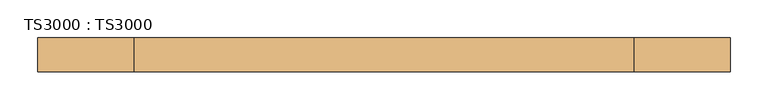
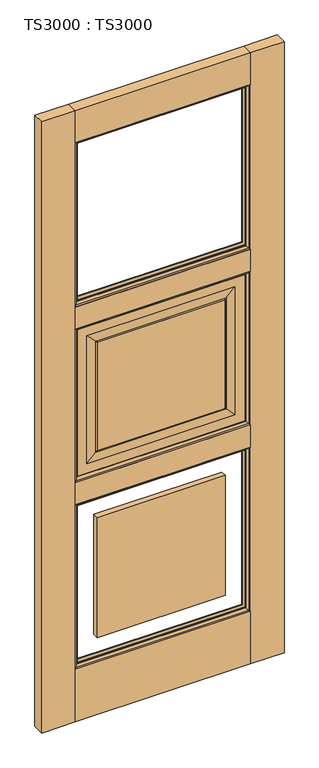
"""IFC4 building model written with IfcOpenShell, lengths in millimetres: door geometry, TS3000 : TS3000."""

import ifcopenshell
import ifcopenshell.guid

model = None  # the IFC model being written
_history = None  # IfcOwnerHistory: only IFC2X3 demands one
_inside = {}  # id of a spatial element -> (the spatial element, [elements in it])
_under = {}  # id of a project, library or spatial element -> (it, [spatial elements below it])
_declared = {}  # id of a project -> (the project, [libraries it declares])
_typed = {}  # id of a type object -> (the type object, [elements of that type])
_made_of = {}  # id of a material, layer set ... -> (it, [elements and type objects made of it])


def new_model(schema):
    """Start an empty IFC model of exactly this schema.

    Asked for "IFC4X3", IfcOpenShell would pick the latest addendum, in which some entities
    have other attributes; the version numbers below select the first issue.
    IFC2X3 requires an IfcOwnerHistory on every rooted entity: one is made here for all.
    """
    global model, _history
    if schema == "IFC4X3":
        model = ifcopenshell.file(schema_version=(4, 3, 0, 0))
    else:
        model = ifcopenshell.file(schema=schema)
    _inside.clear()
    _under.clear()
    _declared.clear()
    _typed.clear()
    _made_of.clear()
    _history = None
    if model.schema == "IFC2X3":
        org = make("IfcOrganization", Name="unknown")
        user = make(
            "IfcPersonAndOrganization",
            ThePerson=make("IfcPerson", FamilyName="unknown"),
            TheOrganization=org,
        )
        app = make(
            "IfcApplication",
            ApplicationDeveloper=org,
            Version="unknown",
            ApplicationFullName="unknown",
            ApplicationIdentifier="unknown",
        )
        _history = make(
            "IfcOwnerHistory",
            OwningUser=user,
            OwningApplication=app,
            ChangeAction="ADDED",
            CreationDate=0,
        )
    return model


def make(cls, **values):
    """One entity of the class cls with the attributes given. An attribute that is None is left unset."""
    return model.create_entity(
        cls, **{name: value for name, value in values.items() if value is not None}
    )


def rooted(cls, **values):
    """An entity with a GlobalId (a new one), such as an element, a storey or a relation."""
    return make(cls, GlobalId=ifcopenshell.guid.new(), OwnerHistory=_history, **values)


def si_unit(unit_type, name, prefix=None):
    """IfcSIUnit, for example si_unit("LENGTHUNIT", "METRE", prefix="MILLI")."""
    return make("IfcSIUnit", UnitType=unit_type, Prefix=prefix, Name=name)


def assignment(units):
    """IfcUnitAssignment: the units of a project."""
    return None if units is None else make("IfcUnitAssignment", Units=units)


def point(xyz):
    """IfcCartesianPoint."""
    return None if xyz is None else make("IfcCartesianPoint", Coordinates=xyz)


def direction(xyz):
    """IfcDirection."""
    return None if xyz is None else make("IfcDirection", DirectionRatios=xyz)


def frame(location, z_axis=None, x_axis=None):
    """IfcAxis2Placement3D, a coordinate frame: its origin and axes. An axis left out is left unset."""
    return make(
        "IfcAxis2Placement3D",
        Location=point(location),
        Axis=direction(z_axis),
        RefDirection=direction(x_axis),
    )


def origin():
    """The frame at (0, 0, 0) with its axes left unset."""
    return frame((0.0, 0.0, 0.0))


def origin_with_axes():
    """The frame at (0, 0, 0) with the z axis (0, 0, 1) and the x axis (1, 0, 0) written out."""
    return frame((0.0, 0.0, 0.0), z_axis=(0.0, 0.0, 1.0), x_axis=(1.0, 0.0, 0.0))


def place(relative_to, where):
    """IfcLocalPlacement: puts the frame where relative to a parent placement (None: the world)."""
    return make(
        "IfcLocalPlacement", PlacementRelTo=relative_to, RelativePlacement=where
    )


def context(
    kind, dimensions, precision=None, world=None, true_north=None, identifier=None
):
    """IfcGeometricRepresentationContext, for example the 3D "Model" context."""
    return make(
        "IfcGeometricRepresentationContext",
        ContextIdentifier=identifier,
        ContextType=kind,
        CoordinateSpaceDimension=dimensions,
        Precision=precision,
        WorldCoordinateSystem=world,
        TrueNorth=true_north,
    )


def project(units=None, contexts=None):
    """IfcProject with its units and contexts."""
    return rooted(
        "IfcProject",
        Name="project",
        RepresentationContexts=contexts,
        UnitsInContext=assignment(units),
    )


def spatial(cls, under=None, at=None, **own):
    """A site, building, storey or space (cls), placed at a placement, below another one or the project."""
    s = rooted(cls, ObjectPlacement=at, **own)
    if under is not None:
        _under.setdefault(under.id(), (under, []))[1].append(s)
    return s


def polyline(points):
    """IfcPolyline through the points."""
    return make("IfcPolyline", Points=[point(p) for p in points])


def ellipse_curve(where, semi_axis1, semi_axis2):
    """IfcEllipse in the frame where."""
    return make(
        "IfcEllipse", Position=where, SemiAxis1=semi_axis1, SemiAxis2=semi_axis2
    )


def outline(outer, holes=None, kind="AREA"):
    """IfcArbitraryClosedProfileDef: a profile drawn as a closed curve; with holes, ...WithVoids."""
    if holes is None:
        return make("IfcArbitraryClosedProfileDef", ProfileType=kind, OuterCurve=outer)
    return make(
        "IfcArbitraryProfileDefWithVoids",
        ProfileType=kind,
        OuterCurve=outer,
        InnerCurves=holes,
    )


def extrude(swept, where, along, depth):
    """IfcExtrudedAreaSolid: the profile swept, set in the frame where, extruded along a direction by depth."""
    return make(
        "IfcExtrudedAreaSolid",
        SweptArea=swept,
        Position=where,
        ExtrudedDirection=direction(along),
        Depth=depth,
    )


def shape(context_of_items, identifier, shape_type, items):
    """IfcShapeRepresentation: the items that make up one representation, for example the "Body"."""
    return make(
        "IfcShapeRepresentation",
        ContextOfItems=context_of_items,
        RepresentationIdentifier=identifier,
        RepresentationType=shape_type,
        Items=items,
    )


def source(mapping_origin, context_of_items, identifier, shape_type, items):
    """IfcRepresentationMap: a shape defined once, which mapped items show again and again."""
    return make(
        "IfcRepresentationMap",
        MappingOrigin=mapping_origin,
        MappedRepresentation=shape(context_of_items, identifier, shape_type, items),
    )


def transform(
    local_origin,
    x_axis=None,
    y_axis=None,
    z_axis=None,
    scale=None,
    scale2=None,
    scale3=None,
    uniform=True,
):
    """IfcCartesianTransformationOperator3D, or its non-uniform kind. x_axis, y_axis, z_axis: its Axis1, 2, 3."""
    if uniform:
        return make(
            "IfcCartesianTransformationOperator3D",
            Axis1=direction(x_axis),
            Axis2=direction(y_axis),
            LocalOrigin=point(local_origin),
            Scale=scale,
            Axis3=direction(z_axis),
        )
    return make(
        "IfcCartesianTransformationOperator3DnonUniform",
        Axis1=direction(x_axis),
        Axis2=direction(y_axis),
        LocalOrigin=point(local_origin),
        Scale=scale,
        Axis3=direction(z_axis),
        Scale2=scale2,
        Scale3=scale3,
    )


def mapped(mapping_source, mapping_target):
    """IfcMappedItem: shows the shape of a source again, moved by a transform."""
    return make(
        "IfcMappedItem", MappingSource=mapping_source, MappingTarget=mapping_target
    )


def made_of(thing, what):
    """Note that an element or type object is made of a material, layer set ...; save() writes the relation."""
    if what is not None:
        _made_of.setdefault(what.id(), (what, []))[1].append(thing)
    return thing


def element(
    cls,
    number,
    at=None,
    inside=None,
    cuts=None,
    type_object=None,
    material=None,
    context=None,
    identifier="Body",
    shape_type=None,
    held_by="IfcProductDefinitionShape",
    body=None,
    shapes=None,
    **own,
):
    """One element of the class cls, such as IfcWall. Its Tag is "e" and its number.

    at: its placement. inside: the storey or other place that contains it. cuts: it is an
    opening in that element (IfcRelVoidsElement). A single representation is given by context,
    identifier, shape_type and body (its items); several are given by shapes. held_by: the class
    of the entity that holds the representations. save() writes the other relations.
    """
    e = rooted(cls, Tag="e%d" % number, ObjectPlacement=at, **own)
    if body is not None:
        shapes = [shape(context, identifier, shape_type, body)]
    if shapes is not None:
        e.Representation = make(held_by, Representations=shapes)
    if inside is not None:
        _inside.setdefault(inside.id(), (inside, []))[1].append(e)
    if cuts is not None:
        rooted(
            "IfcRelVoidsElement", RelatingBuildingElement=cuts, RelatedOpeningElement=e
        )
    if type_object is not None:
        _typed.setdefault(type_object.id(), (type_object, []))[1].append(e)
    return made_of(e, material)


def aggregate(whole, parts):
    """IfcRelAggregates: a whole, such as a stair, and the parts it consists of."""
    return rooted("IfcRelAggregates", RelatingObject=whole, RelatedObjects=parts)


def save(model, path):
    """Write the relations noted so far, then the file.

    IfcRelAggregates (storeys below a building ...), IfcRelContainedInSpatialStructure (elements
    in a storey), IfcRelDefinesByType, IfcRelAssociatesMaterial and IfcRelDeclares: one each for
    every whole, place, type object, material and project.
    """
    for whole, parts in _under.values():
        aggregate(whole, parts)
    for where, things in _inside.values():
        rooted(
            "IfcRelContainedInSpatialStructure",
            RelatedElements=things,
            RelatingStructure=where,
        )
    for kind, things in _typed.values():
        rooted("IfcRelDefinesByType", RelatedObjects=things, RelatingType=kind)
    for what, things in _made_of.values():
        rooted("IfcRelAssociatesMaterial", RelatedObjects=things, RelatingMaterial=what)
    for by, libraries in _declared.values():
        rooted("IfcRelDeclares", RelatingContext=by, RelatedDefinitions=libraries)
    model.write(path)


def plane_surface(at):
    """IfcPlane: the flat surface through the origin of the frame at, square to its z axis."""
    return make("IfcPlane", Position=at)


def revolved_surface(curve, axis_point, axis_direction):
    """IfcSurfaceOfRevolution: the curve turned about the line through axis_point along axis_direction."""
    return make(
        "IfcSurfaceOfRevolution",
        SweptCurve=make("IfcArbitraryOpenProfileDef", ProfileType="CURVE", Curve=curve),
        AxisPosition=make("IfcAxis1Placement", Location=point(axis_point), Axis=direction(axis_direction)),
    )


def advanced_brep(points, edges, surfaces, faces):
    """IfcAdvancedBrep: a solid bounded by faces that lie on surfaces and meet in shared edges.

    An edge is (start, end): straight between two places in points (the first is 0);
    or (start, end, curve); or (start, end, curve, False) where it runs against its curve.
    A face is (place in surfaces, loops), or (place, loops, False) where it looks against
    its surface's normal. A loop lists edges by number (the first is 1), with a minus sign
    where the edge is run from its end to its start. The first loop is the outer one.
    """
    corners = [point(p) for p in points]
    vertices = [make("IfcVertexPoint", VertexGeometry=c) for c in corners]
    made = []
    for start, end, *more in edges:
        made.append(
            make(
                "IfcEdgeCurve",
                EdgeStart=vertices[start],
                EdgeEnd=vertices[end],
                EdgeGeometry=more[0] if more else make("IfcPolyline", Points=[corners[start], corners[end]]),
                SameSense=more[1] if len(more) > 1 else True,
            )
        )
    hull = []
    for where, loops, *sense in faces:
        bounds = []
        for j, loop in enumerate(loops):
            ring = [make("IfcOrientedEdge", EdgeElement=made[abs(k) - 1], Orientation=k > 0) for k in loop]
            bounds.append(
                make(
                    "IfcFaceOuterBound" if j == 0 else "IfcFaceBound",
                    Bound=make("IfcEdgeLoop", EdgeList=ring),
                    Orientation=True,
                )
            )
        hull.append(make("IfcAdvancedFace", Bounds=bounds, FaceSurface=surfaces[where], SameSense=sense[0] if sense else True))
    return make("IfcAdvancedBrep", Outer=make("IfcClosedShell", CfsFaces=hull))


def ts3000_ts3000_933aa4a2(model_context):
    return source(origin(), model_context, "Body", "SolidModel", [
        extrude(outline(polyline([(787.4, -44.45), (127.0, -44.45), (127.0, 0.0), (787.4, 0.0), (787.4, -44.45)])), origin_with_axes(), (0.0, 0.0, 1.0), 209.55),
        extrude(outline(polyline([(787.4, -44.45), (127.0, -44.45), (127.0, 0.0), (787.4, 0.0), (787.4, -44.45)])), frame((0.0, 0.0, 865.7166667), z_axis=(0.0, 0.0, 1.0), x_axis=(1.0, 0.0, 0.0)), (0.0, 0.0, 1.0), 88.9),
        extrude(outline(polyline([(787.4, -44.45), (127.0, -44.45), (127.0, 0.0), (787.4, 0.0), (787.4, -44.45)])), frame((0.0, 0.0, 2311.4), z_axis=(0.0, 0.0, 1.0), x_axis=(1.0, 0.0, 0.0)), (0.0, 0.0, 1.0), 127.0),
        extrude(outline(polyline([(787.4, -44.45), (127.0, -44.45), (127.0, 0.0), (787.4, 0.0), (787.4, -44.45)])), frame((0.0, 0.0, 1566.3333333), z_axis=(0.0, 0.0, 1.0), x_axis=(1.0, 0.0, 0.0)), (0.0, 0.0, 1.0), 88.9),
        extrude(outline(polyline([(914.4, -44.45), (787.4, -44.45), (787.4, 0.0), (914.4, 0.0), (914.4, -44.45)])), origin_with_axes(), (0.0, 0.0, 1.0), 2438.4),
        extrude(outline(polyline([(127.0, -44.45), (0.0, -44.45), (0.0, 0.0), (127.0, 0.0), (127.0, -44.45)])), origin_with_axes(), (0.0, 0.0, 1.0), 2438.4),
        advanced_brep(
        [(787.4, -12.7, 1566.3333333), (787.4, -31.75, 1566.3333333), (787.4, -31.75, 954.6166667), (787.4, -12.7, 954.6166667), (127.0, -31.75, 1566.3333333), (127.0, -31.75, 954.6166667), (736.6, -31.75, 1005.4166667), (177.8, -31.75, 1005.4166667), (177.8, -31.75, 1515.5333333), (736.6, -31.75, 1515.5333333), (127.0, -12.7, 954.6166667), (127.0, -12.7, 1566.3333333), (736.6, -12.7, 1515.5333333), (177.8, -12.7, 1515.5333333), (177.8, -12.7, 1005.4166667), (736.6, -12.7, 1005.4166667), (698.5, -33.3375, 1477.4333333), (698.5, -11.1125, 1477.4333333), (698.5, -11.1125, 1043.5166667), (698.5, -33.3375, 1043.5166667), (703.2625, -13.49375, 1482.1958333), (703.2625, -13.49375, 1038.7541667), (215.9, -11.1125, 1043.5166667), (215.9, -33.3375, 1043.5166667), (703.2625, -30.95625, 1482.1958333), (703.2625, -30.95625, 1038.7541667), (211.1375, -13.49375, 1038.7541667), (215.9, -11.1125, 1477.4333333), (215.9, -33.3375, 1477.4333333), (211.1375, -30.95625, 1038.7541667), (211.1375, -13.49375, 1482.1958333), (211.1375, -30.95625, 1482.1958333)],
        [
            (0, 1),
            (1, 2),
            (2, 3),
            (3, 0),
            (1, 4),
            (4, 5),
            (5, 2),
            (6, 7),
            (7, 8),
            (8, 9),
            (9, 6),
            (5, 10),
            (10, 3),
            (10, 11),
            (11, 0),
            (12, 13),
            (13, 14),
            (14, 15),
            (15, 12),
            (16, 17),
            (17, 18),
            (18, 19),
            (19, 16),
            (17, 20, ellipse_curve(frame((703.7585938, -6.5484375, 1482.6919271), z_axis=(-0.7071067811865475, 0.0, 0.7071067811865475), x_axis=(-0.7071067811865474, 0.0, -0.7071067811865476)), 9.8471798, 6.9630076)),
            (20, 21),
            (21, 18, ellipse_curve(frame((703.7585938, -6.5484375, 1038.2580729), z_axis=(-0.7071067811865475, 0.0, -0.7071067811865475), x_axis=(0.7071067811865474, 0.0, -0.7071067811865476)), 9.8471798, 6.9630076)),
            (18, 22),
            (22, 23),
            (23, 19),
            (24, 16, ellipse_curve(frame((703.7585938, -37.9015625, 1482.6919271), z_axis=(-0.7071067811865475, 0.0, 0.7071067811865475), x_axis=(-0.7071067811865474, 0.0, -0.7071067811865476)), 9.8471798, 6.9630076)),
            (19, 25, ellipse_curve(frame((703.7585938, -37.9015625, 1038.2580729), z_axis=(-0.7071067811865475, 0.0, -0.7071067811865475), x_axis=(0.7071067811865474, 0.0, -0.7071067811865476)), 9.8471798, 6.9630076)),
            (25, 24),
            (4, 11),
            (21, 26),
            (26, 22, ellipse_curve(frame((210.6414063, -6.5484375, 1038.2580729), z_axis=(-0.7071067811865475, 0.0, 0.7071067811865475), x_axis=(-0.7071067811865476, 0.0, -0.7071067811865474)), 9.8471798, 6.9630076)),
            (22, 27),
            (27, 28),
            (28, 23),
            (23, 29, ellipse_curve(frame((210.6414063, -37.9015625, 1038.2580729), z_axis=(-0.7071067811865475, 0.0, 0.7071067811865475), x_axis=(-0.7071067811865476, 0.0, -0.7071067811865474)), 9.8471798, 6.9630076)),
            (29, 25),
            (26, 30),
            (30, 27, ellipse_curve(frame((210.6414063, -6.5484375, 1482.6919271), z_axis=(0.7071067811865475, 0.0, 0.7071067811865475), x_axis=(-0.7071067811865474, 0.0, 0.7071067811865476)), 9.8471798, 6.9630076)),
            (28, 31, ellipse_curve(frame((210.6414063, -37.9015625, 1482.6919271), z_axis=(0.7071067811865475, 0.0, 0.7071067811865475), x_axis=(-0.7071067811865474, 0.0, 0.7071067811865476)), 9.8471798, 6.9630076)),
            (31, 29),
            (6, 25),
            (29, 7),
            (31, 8),
            (9, 24),
            (26, 14),
            (13, 30),
            (21, 15),
            (20, 12),
            (27, 17),
            (16, 28),
            (31, 24),
            (20, 30),
        ],
        [
            plane_surface(frame((787.4, -31.75, 1566.3333333), z_axis=(1.0, 0.0, 0.0), x_axis=(0.0, 0.0, -1.0))),
            plane_surface(frame((177.8, -31.75, 1515.5333333), z_axis=(0.0, -1.0, 0.0), x_axis=(1.0, 0.0, 0.0))),
            plane_surface(frame((787.4, -31.75, 954.6166667), z_axis=(0.0, 0.0, -1.0), x_axis=(-1.0, 0.0, 0.0))),
            plane_surface(frame((127.0, -12.7, 1566.3333333), z_axis=(0.0, 1.0, 0.0), x_axis=(1.0, 0.0, 0.0))),
            plane_surface(frame((698.5, -11.1125, 1477.4333333), z_axis=(-1.0, 0.0, 0.0), x_axis=(0.0, 0.0, -1.0))),
            revolved_surface(polyline([(696.7955862, -6.5484375, 1031.2950652878567), (696.7955862, -6.5484375, 1489.6549347121431)]), (703.7585938, -6.5484375, 1477.4333333), (0.0, 0.0, -1.0)),
            plane_surface(frame((698.5, -11.1125, 1043.5166667), z_axis=(0.0, 0.0, 1.0), x_axis=(-1.0, 0.0, 0.0))),
            revolved_surface(polyline([(696.7955862, -37.9015625, 1031.2950652878567), (696.7955862, -37.9015625, 1489.6549347121431)]), (703.7585938, -37.9015625, 1477.4333333), (0.0, 0.0, -1.0)),
            plane_surface(frame((127.0, -31.75, 954.6166667), z_axis=(-1.0, 0.0, 0.0), x_axis=(0.0, 0.0, 1.0))),
            revolved_surface(polyline([(203.67839868785677, -6.5484375, 1045.2210805), (710.7216014121432, -6.5484375, 1045.2210805)]), (698.5, -6.5484375, 1038.2580729), (-1.0, 0.0, 0.0)),
            plane_surface(frame((215.9, -11.1125, 1043.5166667), z_axis=(1.0, 0.0, 0.0), x_axis=(0.0, 0.0, 1.0))),
            revolved_surface(polyline([(203.67839868785677, -37.9015625, 1045.2210805), (710.7216014121432, -37.9015625, 1045.2210805)]), (698.5, -37.9015625, 1038.2580729), (-1.0, 0.0, 0.0)),
            revolved_surface(polyline([(217.6044139, -6.5484375, 1489.6549347121431), (217.6044139, -6.5484375, 1031.2950652878567)]), (210.6414063, -6.5484375, 1043.5166667), (0.0, 0.0, 1.0)),
            revolved_surface(polyline([(217.6044139, -37.9015625, 1489.6549347121431), (217.6044139, -37.9015625, 1031.2950652878567)]), (210.6414063, -37.9015625, 1043.5166667), (0.0, 0.0, 1.0)),
            plane_surface(frame((703.2625, -30.95625, 1038.7541667), z_axis=(0.0, -0.9997166737441345, 0.023802777946362628), x_axis=(-1.0, 0.0, 0.0))),
            plane_surface(frame((211.1375, -30.95625, 1038.7541667), z_axis=(0.023802777946359394, -0.9997166737441346, 0.0), x_axis=(0.0, 0.0, 1.0))),
            plane_surface(frame((703.2625, -30.95625, 1482.1958333), z_axis=(-0.02380277794636586, -0.9997166737441344, 0.0), x_axis=(0.0, 0.0, -1.0))),
            plane_surface(frame((177.8, -12.7, 1005.4166667), z_axis=(0.023802777946303297, 0.9997166737441359, 0.0), x_axis=(0.0, 0.0, 1.0))),
            plane_surface(frame((736.6, -12.7, 1005.4166667), z_axis=(0.0, 0.999716673744136, 0.023802777946300063), x_axis=(-1.0, 0.0, 0.0))),
            plane_surface(frame((736.6, -12.7, 1515.5333333), z_axis=(-0.02380277794629683, 0.9997166737441361, 0.0), x_axis=(0.0, 0.0, -1.0))),
            plane_surface(frame((127.0, -31.75, 1566.3333333), z_axis=(0.0, 0.0, 1.0), x_axis=(1.0, 0.0, 0.0))),
            plane_surface(frame((215.9, -11.1125, 1477.4333333), z_axis=(0.0, 0.0, -1.0), x_axis=(1.0, 0.0, 0.0))),
            plane_surface(frame((211.1375, -30.95625, 1482.1958333), z_axis=(0.0, -0.9997166737441345, -0.023802777946362628), x_axis=(1.0, 0.0, 0.0))),
            plane_surface(frame((177.8, -12.7, 1515.5333333), z_axis=(0.0, 0.999716673744136, -0.023802777946300063), x_axis=(1.0, 0.0, 0.0))),
            revolved_surface(polyline([(710.7216014121432, -6.5484375, 1475.7289194999998), (203.6783986878568, -6.5484375, 1475.7289194999998)]), (215.9, -6.5484375, 1482.6919271), (1.0, 0.0, 0.0)),
            revolved_surface(polyline([(710.7216014121432, -37.9015625, 1475.7289194999998), (203.6783986878568, -37.9015625, 1475.7289194999998)]), (215.9, -37.9015625, 1482.6919271), (1.0, 0.0, 0.0)),
        ],
        [
            (0, [[1, 2, 3, 4]]),
            (1, [[5, 6, 7, -2], [8, 9, 10, 11]]),
            (2, [[-3, -7, 12, 13]]),
            (3, [[-13, 14, 15, -4], [16, 17, 18, 19]]),
            (4, [[20, 21, 22, 23]]),
            (5, [[24, 25, 26, -21]]),
            (6, [[-22, 27, 28, 29]]),
            (7, [[30, -23, 31, 32]]),
            (8, [[-12, -6, 33, -14]]),
            (9, [[-26, 34, 35, -27]]),
            (10, [[-28, 36, 37, 38]]),
            (11, [[-31, -29, 39, 40]]),
            (12, [[-35, 41, 42, -36]]),
            (13, [[-39, -38, 43, 44]]),
            (14, [[45, -40, 46, -8]]),
            (15, [[-46, -44, 47, -9]]),
            (16, [[48, -32, -45, -11]]),
            (17, [[49, -17, 50, -41]]),
            (18, [[51, -18, -49, -34]]),
            (19, [[52, -19, -51, -25]]),
            (20, [[-33, -5, -1, -15]]),
            (21, [[-37, 53, -20, 54]]),
            (22, [[-47, 55, -48, -10]]),
            (23, [[-50, -16, -52, 56]]),
            (24, [[-42, -56, -24, -53]]),
            (25, [[-43, -54, -30, -55]]),
        ],
    ),
        extrude(outline(polyline([(215.9, -11.1125), (698.5, -11.1125), (698.5, -33.3375), (215.9, -33.3375), (215.9, -11.1125)])), frame((0.0, 0.0, 298.45), z_axis=(0.0, 0.0, 1.0), x_axis=(1.0, 0.0, 0.0)), (0.0, 0.0, 1.0), 478.3666667),
        extrude(outline(polyline([(215.9, -11.1125), (698.5, -11.1125), (698.5, -33.3375), (215.9, -33.3375), (215.9, -11.1125)])), frame((0.0, 0.0, 1043.5166667), z_axis=(0.0, 0.0, 1.0), x_axis=(1.0, 0.0, 0.0)), (0.0, 0.0, 1.0), 433.9166667),
        advanced_brep(
        [(787.4, -31.75, 865.7166667), (787.4, -44.4610047, 865.7166667), (787.4, -44.4610047, 209.55), (787.4, -31.75, 209.55), (774.6912454, -34.925, 853.007912), (774.6912454, -31.75, 853.007912), (774.6912454, -31.75, 222.2587546), (774.6912454, -34.925, 222.2587546), (782.5328423, -41.275, 860.849509), (782.5328423, -41.275, 214.4171577), (127.0, -44.4610047, 209.55), (127.0, -31.75, 209.55), (139.7087546, -31.75, 222.2587546), (139.7087546, -34.925, 222.2587546), (131.8671577, -41.275, 214.4171577), (127.0, -44.4610047, 865.7166667), (127.0, -31.75, 865.7166667), (139.7087546, -31.75, 853.007912), (139.7087546, -34.925, 853.007912), (131.8671577, -41.275, 860.849509)],
        [
            (0, 1),
            (1, 2),
            (2, 3),
            (3, 0),
            (4, 5),
            (5, 6),
            (6, 7),
            (7, 4),
            (8, 4, ellipse_curve(frame((770.549739, -48.0561173, 848.8664057), z_axis=(-0.7071067811865475, 0.0, 0.7071067811865475), x_axis=(-0.7071067811865474, 0.0, -0.7071067811865476)), 19.4719447, 13.7687442)),
            (7, 9, ellipse_curve(frame((770.549739, -48.0561173, 226.400261), z_axis=(-0.7071067811865475, 0.0, -0.7071067811865475), x_axis=(0.7071067811865474, 0.0, -0.7071067811865476)), 19.4719447, 13.7687442)),
            (9, 8),
            (1, 8, ellipse_curve(frame((779.4613821, -51.2778746, 857.7780488), z_axis=(-0.7071067811865475, 0.0, 0.7071067811865475), x_axis=(-0.7071067811865474, 0.0, -0.7071067811865476)), 14.7980653, 10.4638123)),
            (9, 2, ellipse_curve(frame((779.4613821, -51.2778746, 217.4886179), z_axis=(-0.7071067811865475, 0.0, -0.7071067811865475), x_axis=(0.7071067811865474, 0.0, -0.7071067811865476)), 14.7980653, 10.4638123)),
            (2, 10),
            (10, 11),
            (11, 3),
            (6, 12),
            (12, 13),
            (13, 7),
            (13, 14, ellipse_curve(frame((143.850261, -48.0561173, 226.400261), z_axis=(-0.7071067811865475, 0.0, 0.7071067811865475), x_axis=(-0.7071067811865476, 0.0, -0.7071067811865474)), 19.4719447, 13.7687442)),
            (14, 9),
            (14, 10, ellipse_curve(frame((134.9386179, -51.2778746, 217.4886179), z_axis=(-0.7071067811865475, 0.0, 0.7071067811865475), x_axis=(-0.7071067811865476, 0.0, -0.7071067811865474)), 14.7980653, 10.4638123)),
            (10, 15),
            (15, 16),
            (16, 11),
            (12, 17),
            (17, 18),
            (18, 13),
            (18, 19, ellipse_curve(frame((143.850261, -48.0561173, 848.8664057), z_axis=(0.7071067811865475, 0.0, 0.7071067811865475), x_axis=(-0.7071067811865474, 0.0, 0.7071067811865476)), 19.4719447, 13.7687442)),
            (19, 14),
            (19, 15, ellipse_curve(frame((134.9386179, -51.2778746, 857.7780488), z_axis=(0.7071067811865475, 0.0, 0.7071067811865475), x_axis=(-0.7071067811865474, 0.0, 0.7071067811865476)), 14.7980653, 10.4638123)),
            (15, 1),
            (0, 16),
            (5, 17),
            (4, 18),
            (8, 19),
        ],
        [
            plane_surface(frame((787.4, -44.4610047, 865.7166667), z_axis=(1.0, 0.0, 0.0), x_axis=(0.0, 0.0, -1.0))),
            plane_surface(frame((774.6912454, -31.75, 853.007912), z_axis=(-1.0, 0.0, 0.0), x_axis=(0.0, 0.0, -1.0))),
            revolved_surface(polyline([(756.7809948, -48.0561173, 212.6315168597406), (756.7809948, -48.0561173, 862.6351498402594)]), (770.549739, -48.0561173, 865.7166667), (0.0, 0.0, -1.0)),
            revolved_surface(polyline([(768.9975698000001, -51.2778746, 207.02480557792865), (768.9975698000001, -51.2778746, 868.2418611220713)]), (779.4613821, -51.2778746, 865.7166667), (0.0, 0.0, -1.0)),
            plane_surface(frame((787.4, -44.4610047, 209.55), z_axis=(0.0, 0.0, -1.0), x_axis=(-1.0, 0.0, 0.0))),
            plane_surface(frame((774.6912454, -31.75, 222.2587546), z_axis=(0.0, 0.0, 1.0), x_axis=(-1.0, 0.0, 0.0))),
            revolved_surface(polyline([(130.08151685974053, -48.0561173, 240.16900520000002), (784.3184831402594, -48.0561173, 240.16900520000002)]), (787.4, -48.0561173, 226.400261), (-1.0, 0.0, 0.0)),
            revolved_surface(polyline([(124.47480557792858, -51.2778746, 227.9524302), (789.9251944220714, -51.2778746, 227.9524302)]), (787.4, -51.2778746, 217.4886179), (-1.0, 0.0, 0.0)),
            plane_surface(frame((127.0, -44.4610047, 209.55), z_axis=(-1.0, 0.0, 0.0), x_axis=(0.0, 0.0, 1.0))),
            plane_surface(frame((139.7087546, -31.75, 222.2587546), z_axis=(1.0, 0.0, 0.0), x_axis=(0.0, 0.0, 1.0))),
            revolved_surface(polyline([(157.6190052, -48.0561173, 862.6351498402594), (157.6190052, -48.0561173, 212.63151685974054)]), (143.850261, -48.0561173, 209.55), (0.0, 0.0, 1.0)),
            revolved_surface(polyline([(145.4024302, -51.2778746, 868.2418611220712), (145.4024302, -51.2778746, 207.02480557792867)]), (134.9386179, -51.2778746, 209.55), (0.0, 0.0, 1.0)),
            plane_surface(frame((127.0, -44.4610047, 865.7166667), z_axis=(0.0, 0.0, 1.0), x_axis=(1.0, 0.0, 0.0))),
            plane_surface(frame((127.0, -31.75, 865.7166667), z_axis=(0.0, 1.0, 0.0), x_axis=(1.0, 0.0, 0.0))),
            plane_surface(frame((139.7087546, -31.75, 853.007912), z_axis=(0.0, 0.0, -1.0), x_axis=(1.0, 0.0, 0.0))),
            revolved_surface(polyline([(784.3184831402594, -48.0561173, 835.0976615), (130.08151685974053, -48.0561173, 835.0976615)]), (127.0, -48.0561173, 848.8664057), (1.0, 0.0, 0.0)),
            revolved_surface(polyline([(789.9251944220714, -51.2778746, 847.3142365), (124.47480557792866, -51.2778746, 847.3142365)]), (127.0, -51.2778746, 857.7780488), (1.0, 0.0, 0.0)),
        ],
        [
            (0, [[1, 2, 3, 4]]),
            (1, [[5, 6, 7, 8]]),
            (2, [[9, -8, 10, 11]]),
            (3, [[12, -11, 13, -2]]),
            (4, [[-3, 14, 15, 16]]),
            (5, [[-7, 17, 18, 19]]),
            (6, [[-10, -19, 20, 21]]),
            (7, [[-13, -21, 22, -14]]),
            (8, [[-15, 23, 24, 25]]),
            (9, [[-18, 26, 27, 28]]),
            (10, [[-20, -28, 29, 30]]),
            (11, [[-22, -30, 31, -23]]),
            (12, [[-24, 32, -1, 33]]),
            (13, [[-16, -25, -33, -4], [34, -26, -17, -6]]),
            (14, [[-27, -34, -5, 35]]),
            (15, [[-29, -35, -9, 36]]),
            (16, [[-31, -36, -12, -32]]),
        ],
    ),
        advanced_brep(
        [(782.5328423, -3.175, 860.849509), (787.4, 0.0110047, 865.7166667), (787.4, 0.0110047, 209.55), (782.5328423, -3.175, 214.4171577), (774.6912454, -9.525, 853.007912), (774.6912454, -9.525, 222.2587546), (774.6912454, -12.7, 853.007912), (774.6912454, -12.7, 222.2587546), (787.4, -12.7, 865.7166667), (787.4, -12.7, 209.55), (127.0, 0.0110047, 209.55), (131.8671577, -3.175, 214.4171577), (139.7087546, -9.525, 222.2587546), (139.7087546, -12.7, 222.2587546), (127.0, -12.7, 209.55), (127.0, 0.0110047, 865.7166667), (131.8671577, -3.175, 860.849509), (139.7087546, -9.525, 853.007912), (139.7087546, -12.7, 853.007912), (127.0, -12.7, 865.7166667)],
        [
            (0, 1, ellipse_curve(frame((779.4613821, 6.8278746, 857.7780488), z_axis=(-0.7071067811865475, 0.0, 0.7071067811865475), x_axis=(-0.7071067811865474, 0.0, -0.7071067811865476)), 14.7980653, 10.4638123)),
            (1, 2),
            (2, 3, ellipse_curve(frame((779.4613821, 6.8278746, 217.4886179), z_axis=(-0.7071067811865475, 0.0, -0.7071067811865475), x_axis=(0.7071067811865474, 0.0, -0.7071067811865476)), 14.7980653, 10.4638123)),
            (3, 0),
            (4, 0, ellipse_curve(frame((770.549739, 3.6061173, 848.8664057), z_axis=(-0.7071067811865475, 0.0, 0.7071067811865475), x_axis=(-0.7071067811865474, 0.0, -0.7071067811865476)), 19.4719447, 13.7687442)),
            (3, 5, ellipse_curve(frame((770.549739, 3.6061173, 226.400261), z_axis=(-0.7071067811865475, 0.0, -0.7071067811865475), x_axis=(0.7071067811865474, 0.0, -0.7071067811865476)), 19.4719447, 13.7687442)),
            (5, 4),
            (6, 4),
            (5, 7),
            (7, 6),
            (1, 8),
            (8, 9),
            (9, 2),
            (2, 10),
            (10, 11, ellipse_curve(frame((134.9386179, 6.8278746, 217.4886179), z_axis=(-0.7071067811865475, 0.0, 0.7071067811865475), x_axis=(-0.7071067811865476, 0.0, -0.7071067811865474)), 14.7980653, 10.4638123)),
            (11, 3),
            (11, 12, ellipse_curve(frame((143.850261, 3.6061173, 226.400261), z_axis=(-0.7071067811865475, 0.0, 0.7071067811865475), x_axis=(-0.7071067811865476, 0.0, -0.7071067811865474)), 19.4719447, 13.7687442)),
            (12, 5),
            (12, 13),
            (13, 7),
            (9, 14),
            (14, 10),
            (10, 15),
            (15, 16, ellipse_curve(frame((134.9386179, 6.8278746, 857.7780488), z_axis=(0.7071067811865475, 0.0, 0.7071067811865475), x_axis=(-0.7071067811865474, 0.0, 0.7071067811865476)), 14.7980653, 10.4638123)),
            (16, 11),
            (16, 17, ellipse_curve(frame((143.850261, 3.6061173, 848.8664057), z_axis=(0.7071067811865475, 0.0, 0.7071067811865475), x_axis=(-0.7071067811865474, 0.0, 0.7071067811865476)), 19.4719447, 13.7687442)),
            (17, 12),
            (17, 18),
            (18, 13),
            (14, 19),
            (19, 15),
            (15, 1),
            (0, 16),
            (4, 17),
            (6, 18),
            (8, 19),
        ],
        [
            revolved_surface(polyline([(768.9975698000001, 6.8278746, 207.02480557792865), (768.9975698000001, 6.8278746, 868.2418611220713)]), (779.4613821, 6.8278746, 865.7166667), (0.0, 0.0, -1.0)),
            revolved_surface(polyline([(756.7809948, 3.6061173, 212.6315168597406), (756.7809948, 3.6061173, 862.6351498402594)]), (770.549739, 3.6061173, 865.7166667), (0.0, 0.0, -1.0)),
            plane_surface(frame((774.6912454, -9.525, 853.007912), z_axis=(-1.0, 0.0, 0.0), x_axis=(0.0, 0.0, -1.0))),
            plane_surface(frame((787.4, -12.7, 865.7166667), z_axis=(1.0, 0.0, 0.0), x_axis=(0.0, 0.0, -1.0))),
            revolved_surface(polyline([(124.47480557792858, 6.8278746, 227.9524302), (789.9251944220714, 6.8278746, 227.9524302)]), (787.4, 6.8278746, 217.4886179), (-1.0, 0.0, 0.0)),
            revolved_surface(polyline([(130.08151685974053, 3.6061173, 240.16900520000002), (784.3184831402594, 3.6061173, 240.16900520000002)]), (787.4, 3.6061173, 226.400261), (-1.0, 0.0, 0.0)),
            plane_surface(frame((774.6912454, -9.525, 222.2587546), z_axis=(0.0, 0.0, 1.0), x_axis=(-1.0, 0.0, 0.0))),
            plane_surface(frame((787.4, -12.7, 209.55), z_axis=(0.0, 0.0, -1.0), x_axis=(-1.0, 0.0, 0.0))),
            revolved_surface(polyline([(145.4024302, 6.8278746, 868.2418611220712), (145.4024302, 6.8278746, 207.02480557792867)]), (134.9386179, 6.8278746, 209.55), (0.0, 0.0, 1.0)),
            revolved_surface(polyline([(157.6190052, 3.6061173, 862.6351498402594), (157.6190052, 3.6061173, 212.63151685974054)]), (143.850261, 3.6061173, 209.55), (0.0, 0.0, 1.0)),
            plane_surface(frame((139.7087546, -9.525, 222.2587546), z_axis=(1.0, 0.0, 0.0), x_axis=(0.0, 0.0, 1.0))),
            plane_surface(frame((127.0, -12.7, 209.55), z_axis=(-1.0, 0.0, 0.0), x_axis=(0.0, 0.0, 1.0))),
            revolved_surface(polyline([(789.9251944220714, 6.8278746, 847.3142365), (124.47480557792866, 6.8278746, 847.3142365)]), (127.0, 6.8278746, 857.7780488), (1.0, 0.0, 0.0)),
            revolved_surface(polyline([(784.3184831402594, 3.6061173, 835.0976615), (130.08151685974053, 3.6061173, 835.0976615)]), (127.0, 3.6061173, 848.8664057), (1.0, 0.0, 0.0)),
            plane_surface(frame((139.7087546, -9.525, 853.007912), z_axis=(0.0, 0.0, -1.0), x_axis=(1.0, 0.0, 0.0))),
            plane_surface(frame((139.7087546, -12.7, 853.007912), z_axis=(0.0, -1.0, 0.0), x_axis=(1.0, 0.0, 0.0))),
            plane_surface(frame((127.0, -12.7, 865.7166667), z_axis=(0.0, 0.0, 1.0), x_axis=(1.0, 0.0, 0.0))),
        ],
        [
            (0, [[1, 2, 3, 4]]),
            (1, [[5, -4, 6, 7]]),
            (2, [[8, -7, 9, 10]]),
            (3, [[11, 12, 13, -2]]),
            (4, [[-3, 14, 15, 16]]),
            (5, [[-6, -16, 17, 18]]),
            (6, [[-9, -18, 19, 20]]),
            (7, [[-13, 21, 22, -14]]),
            (8, [[-15, 23, 24, 25]]),
            (9, [[-17, -25, 26, 27]]),
            (10, [[-19, -27, 28, 29]]),
            (11, [[-22, 30, 31, -23]]),
            (12, [[-24, 32, -1, 33]]),
            (13, [[-26, -33, -5, 34]]),
            (14, [[-28, -34, -8, 35]]),
            (15, [[36, -30, -21, -12], [-20, -29, -35, -10]]),
            (16, [[-31, -36, -11, -32]]),
        ],
    ),
        advanced_brep(
        [(787.4, -31.75, 1566.3333333), (787.4, -44.4610047, 1566.3333333), (787.4, -44.4610047, 954.6166667), (787.4, -31.75, 954.6166667), (774.6912454, -34.925, 1553.6245787), (774.6912454, -31.75, 1553.6245787), (774.6912454, -31.75, 967.3254213), (774.6912454, -34.925, 967.3254213), (782.5328423, -41.275, 1561.4661757), (782.5328423, -41.275, 959.4838243), (127.0, -44.4610047, 954.6166667), (127.0, -31.75, 954.6166667), (139.7087546, -31.75, 967.3254213), (139.7087546, -34.925, 967.3254213), (131.8671577, -41.275, 959.4838243), (127.0, -44.4610047, 1566.3333333), (127.0, -31.75, 1566.3333333), (139.7087546, -31.75, 1553.6245787), (139.7087546, -34.925, 1553.6245787), (131.8671577, -41.275, 1561.4661757)],
        [
            (0, 1),
            (1, 2),
            (2, 3),
            (3, 0),
            (4, 5),
            (5, 6),
            (6, 7),
            (7, 4),
            (8, 4, ellipse_curve(frame((770.549739, -48.0561173, 1549.4830724), z_axis=(-0.7071067811865475, 0.0, 0.7071067811865475), x_axis=(-0.7071067811865474, 0.0, -0.7071067811865476)), 19.4719447, 13.7687442)),
            (7, 9, ellipse_curve(frame((770.549739, -48.0561173, 971.4669276), z_axis=(-0.7071067811865475, 0.0, -0.7071067811865475), x_axis=(0.7071067811865474, 0.0, -0.7071067811865476)), 19.4719447, 13.7687442)),
            (9, 8),
            (1, 8, ellipse_curve(frame((779.4613821, -51.2778746, 1558.3947155), z_axis=(-0.7071067811865475, 0.0, 0.7071067811865475), x_axis=(-0.7071067811865474, 0.0, -0.7071067811865476)), 14.7980653, 10.4638123)),
            (9, 2, ellipse_curve(frame((779.4613821, -51.2778746, 962.5552845), z_axis=(-0.7071067811865475, 0.0, -0.7071067811865475), x_axis=(0.7071067811865474, 0.0, -0.7071067811865476)), 14.7980653, 10.4638123)),
            (2, 10),
            (10, 11),
            (11, 3),
            (6, 12),
            (12, 13),
            (13, 7),
            (13, 14, ellipse_curve(frame((143.850261, -48.0561173, 971.4669276), z_axis=(-0.7071067811865475, 0.0, 0.7071067811865475), x_axis=(-0.7071067811865476, 0.0, -0.7071067811865474)), 19.4719447, 13.7687442)),
            (14, 9),
            (14, 10, ellipse_curve(frame((134.9386179, -51.2778746, 962.5552845), z_axis=(-0.7071067811865475, 0.0, 0.7071067811865475), x_axis=(-0.7071067811865476, 0.0, -0.7071067811865474)), 14.7980653, 10.4638123)),
            (10, 15),
            (15, 16),
            (16, 11),
            (12, 17),
            (17, 18),
            (18, 13),
            (18, 19, ellipse_curve(frame((143.850261, -48.0561173, 1549.4830724), z_axis=(0.7071067811865475, 0.0, 0.7071067811865475), x_axis=(-0.7071067811865474, 0.0, 0.7071067811865476)), 19.4719447, 13.7687442)),
            (19, 14),
            (19, 15, ellipse_curve(frame((134.9386179, -51.2778746, 1558.3947155), z_axis=(0.7071067811865475, 0.0, 0.7071067811865475), x_axis=(-0.7071067811865474, 0.0, 0.7071067811865476)), 14.7980653, 10.4638123)),
            (15, 1),
            (0, 16),
            (5, 17),
            (4, 18),
            (8, 19),
        ],
        [
            plane_surface(frame((787.4, -44.4610047, 1566.3333333), z_axis=(1.0, 0.0, 0.0), x_axis=(0.0, 0.0, -1.0))),
            plane_surface(frame((774.6912454, -31.75, 1553.6245787), z_axis=(-1.0, 0.0, 0.0), x_axis=(0.0, 0.0, -1.0))),
            revolved_surface(polyline([(756.7809948, -48.0561173, 957.6981834597406), (756.7809948, -48.0561173, 1563.2518165402596)]), (770.549739, -48.0561173, 1566.3333333), (0.0, 0.0, -1.0)),
            revolved_surface(polyline([(768.9975698000001, -51.2778746, 952.0914721779286), (768.9975698000001, -51.2778746, 1568.8585278220714)]), (779.4613821, -51.2778746, 1566.3333333), (0.0, 0.0, -1.0)),
            plane_surface(frame((787.4, -44.4610047, 954.6166667), z_axis=(0.0, 0.0, -1.0), x_axis=(-1.0, 0.0, 0.0))),
            plane_surface(frame((774.6912454, -31.75, 967.3254213), z_axis=(0.0, 0.0, 1.0), x_axis=(-1.0, 0.0, 0.0))),
            revolved_surface(polyline([(130.08151685974053, -48.0561173, 985.2356718), (784.3184831402594, -48.0561173, 985.2356718)]), (787.4, -48.0561173, 971.4669276), (-1.0, 0.0, 0.0)),
            revolved_surface(polyline([(124.47480557792858, -51.2778746, 973.0190967999999), (789.9251944220714, -51.2778746, 973.0190967999999)]), (787.4, -51.2778746, 962.5552845), (-1.0, 0.0, 0.0)),
            plane_surface(frame((127.0, -44.4610047, 954.6166667), z_axis=(-1.0, 0.0, 0.0), x_axis=(0.0, 0.0, 1.0))),
            plane_surface(frame((139.7087546, -31.75, 967.3254213), z_axis=(1.0, 0.0, 0.0), x_axis=(0.0, 0.0, 1.0))),
            revolved_surface(polyline([(157.6190052, -48.0561173, 1563.2518165402594), (157.6190052, -48.0561173, 957.6981834597406)]), (143.850261, -48.0561173, 954.6166667), (0.0, 0.0, 1.0)),
            revolved_surface(polyline([(145.4024302, -51.2778746, 1568.8585278220714), (145.4024302, -51.2778746, 952.0914721779286)]), (134.9386179, -51.2778746, 954.6166667), (0.0, 0.0, 1.0)),
            plane_surface(frame((127.0, -44.4610047, 1566.3333333), z_axis=(0.0, 0.0, 1.0), x_axis=(1.0, 0.0, 0.0))),
            plane_surface(frame((127.0, -31.75, 1566.3333333), z_axis=(0.0, 1.0, 0.0), x_axis=(1.0, 0.0, 0.0))),
            plane_surface(frame((139.7087546, -31.75, 1553.6245787), z_axis=(0.0, 0.0, -1.0), x_axis=(1.0, 0.0, 0.0))),
            revolved_surface(polyline([(784.3184831402594, -48.0561173, 1535.7143282000002), (130.08151685974053, -48.0561173, 1535.7143282000002)]), (127.0, -48.0561173, 1549.4830724), (1.0, 0.0, 0.0)),
            revolved_surface(polyline([(789.9251944220714, -51.2778746, 1547.9309032), (124.47480557792866, -51.2778746, 1547.9309032)]), (127.0, -51.2778746, 1558.3947155), (1.0, 0.0, 0.0)),
        ],
        [
            (0, [[1, 2, 3, 4]]),
            (1, [[5, 6, 7, 8]]),
            (2, [[9, -8, 10, 11]]),
            (3, [[12, -11, 13, -2]]),
            (4, [[-3, 14, 15, 16]]),
            (5, [[-7, 17, 18, 19]]),
            (6, [[-10, -19, 20, 21]]),
            (7, [[-13, -21, 22, -14]]),
            (8, [[-15, 23, 24, 25]]),
            (9, [[-18, 26, 27, 28]]),
            (10, [[-20, -28, 29, 30]]),
            (11, [[-22, -30, 31, -23]]),
            (12, [[-24, 32, -1, 33]]),
            (13, [[-16, -25, -33, -4], [34, -26, -17, -6]]),
            (14, [[-27, -34, -5, 35]]),
            (15, [[-29, -35, -9, 36]]),
            (16, [[-31, -36, -12, -32]]),
        ],
    ),
        advanced_brep(
        [(782.5328423, -3.175, 1561.4661757), (787.4, 0.0110047, 1566.3333333), (787.4, 0.0110047, 954.6166667), (782.5328423, -3.175, 959.4838243), (774.6912454, -9.525, 1553.6245787), (774.6912454, -9.525, 967.3254213), (774.6912454, -12.7, 1553.6245787), (774.6912454, -12.7, 967.3254213), (787.4, -12.7, 1566.3333333), (787.4, -12.7, 954.6166667), (127.0, 0.0110047, 954.6166667), (131.8671577, -3.175, 959.4838243), (139.7087546, -9.525, 967.3254213), (139.7087546, -12.7, 967.3254213), (127.0, -12.7, 954.6166667), (127.0, 0.0110047, 1566.3333333), (131.8671577, -3.175, 1561.4661757), (139.7087546, -9.525, 1553.6245787), (139.7087546, -12.7, 1553.6245787), (127.0, -12.7, 1566.3333333)],
        [
            (0, 1, ellipse_curve(frame((779.4613821, 6.8278746, 1558.3947155), z_axis=(-0.7071067811865475, 0.0, 0.7071067811865475), x_axis=(-0.7071067811865474, 0.0, -0.7071067811865476)), 14.7980653, 10.4638123)),
            (1, 2),
            (2, 3, ellipse_curve(frame((779.4613821, 6.8278746, 962.5552845), z_axis=(-0.7071067811865475, 0.0, -0.7071067811865475), x_axis=(0.7071067811865474, 0.0, -0.7071067811865476)), 14.7980653, 10.4638123)),
            (3, 0),
            (4, 0, ellipse_curve(frame((770.549739, 3.6061173, 1549.4830724), z_axis=(-0.7071067811865475, 0.0, 0.7071067811865475), x_axis=(-0.7071067811865474, 0.0, -0.7071067811865476)), 19.4719447, 13.7687442)),
            (3, 5, ellipse_curve(frame((770.549739, 3.6061173, 971.4669276), z_axis=(-0.7071067811865475, 0.0, -0.7071067811865475), x_axis=(0.7071067811865474, 0.0, -0.7071067811865476)), 19.4719447, 13.7687442)),
            (5, 4),
            (6, 4),
            (5, 7),
            (7, 6),
            (1, 8),
            (8, 9),
            (9, 2),
            (2, 10),
            (10, 11, ellipse_curve(frame((134.9386179, 6.8278746, 962.5552845), z_axis=(-0.7071067811865475, 0.0, 0.7071067811865475), x_axis=(-0.7071067811865476, 0.0, -0.7071067811865474)), 14.7980653, 10.4638123)),
            (11, 3),
            (11, 12, ellipse_curve(frame((143.850261, 3.6061173, 971.4669276), z_axis=(-0.7071067811865475, 0.0, 0.7071067811865475), x_axis=(-0.7071067811865476, 0.0, -0.7071067811865474)), 19.4719447, 13.7687442)),
            (12, 5),
            (12, 13),
            (13, 7),
            (9, 14),
            (14, 10),
            (10, 15),
            (15, 16, ellipse_curve(frame((134.9386179, 6.8278746, 1558.3947155), z_axis=(0.7071067811865475, 0.0, 0.7071067811865475), x_axis=(-0.7071067811865474, 0.0, 0.7071067811865476)), 14.7980653, 10.4638123)),
            (16, 11),
            (16, 17, ellipse_curve(frame((143.850261, 3.6061173, 1549.4830724), z_axis=(0.7071067811865475, 0.0, 0.7071067811865475), x_axis=(-0.7071067811865474, 0.0, 0.7071067811865476)), 19.4719447, 13.7687442)),
            (17, 12),
            (17, 18),
            (18, 13),
            (14, 19),
            (19, 15),
            (15, 1),
            (0, 16),
            (4, 17),
            (6, 18),
            (8, 19),
        ],
        [
            revolved_surface(polyline([(768.9975698000001, 6.8278746, 952.0914721779286), (768.9975698000001, 6.8278746, 1568.8585278220714)]), (779.4613821, 6.8278746, 1566.3333333), (0.0, 0.0, -1.0)),
            revolved_surface(polyline([(756.7809948, 3.6061173, 957.6981834597406), (756.7809948, 3.6061173, 1563.2518165402596)]), (770.549739, 3.6061173, 1566.3333333), (0.0, 0.0, -1.0)),
            plane_surface(frame((774.6912454, -9.525, 1553.6245787), z_axis=(-1.0, 0.0, 0.0), x_axis=(0.0, 0.0, -1.0))),
            plane_surface(frame((787.4, -12.7, 1566.3333333), z_axis=(1.0, 0.0, 0.0), x_axis=(0.0, 0.0, -1.0))),
            revolved_surface(polyline([(124.47480557792858, 6.8278746, 973.0190967999999), (789.9251944220714, 6.8278746, 973.0190967999999)]), (787.4, 6.8278746, 962.5552845), (-1.0, 0.0, 0.0)),
            revolved_surface(polyline([(130.08151685974053, 3.6061173, 985.2356718), (784.3184831402594, 3.6061173, 985.2356718)]), (787.4, 3.6061173, 971.4669276), (-1.0, 0.0, 0.0)),
            plane_surface(frame((774.6912454, -9.525, 967.3254213), z_axis=(0.0, 0.0, 1.0), x_axis=(-1.0, 0.0, 0.0))),
            plane_surface(frame((787.4, -12.7, 954.6166667), z_axis=(0.0, 0.0, -1.0), x_axis=(-1.0, 0.0, 0.0))),
            revolved_surface(polyline([(145.4024302, 6.8278746, 1568.8585278220714), (145.4024302, 6.8278746, 952.0914721779286)]), (134.9386179, 6.8278746, 954.6166667), (0.0, 0.0, 1.0)),
            revolved_surface(polyline([(157.6190052, 3.6061173, 1563.2518165402594), (157.6190052, 3.6061173, 957.6981834597406)]), (143.850261, 3.6061173, 954.6166667), (0.0, 0.0, 1.0)),
            plane_surface(frame((139.7087546, -9.525, 967.3254213), z_axis=(1.0, 0.0, 0.0), x_axis=(0.0, 0.0, 1.0))),
            plane_surface(frame((127.0, -12.7, 954.6166667), z_axis=(-1.0, 0.0, 0.0), x_axis=(0.0, 0.0, 1.0))),
            revolved_surface(polyline([(789.9251944220714, 6.8278746, 1547.9309032), (124.47480557792866, 6.8278746, 1547.9309032)]), (127.0, 6.8278746, 1558.3947155), (1.0, 0.0, 0.0)),
            revolved_surface(polyline([(784.3184831402594, 3.6061173, 1535.7143282000002), (130.08151685974053, 3.6061173, 1535.7143282000002)]), (127.0, 3.6061173, 1549.4830724), (1.0, 0.0, 0.0)),
            plane_surface(frame((139.7087546, -9.525, 1553.6245787), z_axis=(0.0, 0.0, -1.0), x_axis=(1.0, 0.0, 0.0))),
            plane_surface(frame((139.7087546, -12.7, 1553.6245787), z_axis=(0.0, -1.0, 0.0), x_axis=(1.0, 0.0, 0.0))),
            plane_surface(frame((127.0, -12.7, 1566.3333333), z_axis=(0.0, 0.0, 1.0), x_axis=(1.0, 0.0, 0.0))),
        ],
        [
            (0, [[1, 2, 3, 4]]),
            (1, [[5, -4, 6, 7]]),
            (2, [[8, -7, 9, 10]]),
            (3, [[11, 12, 13, -2]]),
            (4, [[-3, 14, 15, 16]]),
            (5, [[-6, -16, 17, 18]]),
            (6, [[-9, -18, 19, 20]]),
            (7, [[-13, 21, 22, -14]]),
            (8, [[-15, 23, 24, 25]]),
            (9, [[-17, -25, 26, 27]]),
            (10, [[-19, -27, 28, 29]]),
            (11, [[-22, 30, 31, -23]]),
            (12, [[-24, 32, -1, 33]]),
            (13, [[-26, -33, -5, 34]]),
            (14, [[-28, -34, -8, 35]]),
            (15, [[36, -30, -21, -12], [-20, -29, -35, -10]]),
            (16, [[-31, -36, -11, -32]]),
        ],
    ),
        advanced_brep(
        [(787.4, -31.75, 2311.4), (787.4, -44.4610047, 2311.4), (787.4, -44.4610047, 1655.2333333), (787.4, -31.75, 1655.2333333), (774.6912454, -34.925, 2298.6912454), (774.6912454, -31.75, 2298.6912454), (774.6912454, -31.75, 1667.942088), (774.6912454, -34.925, 1667.942088), (782.5328423, -41.275, 2306.5328423), (782.5328423, -41.275, 1660.100491), (127.0, -44.4610047, 1655.2333333), (127.0, -31.75, 1655.2333333), (139.7087546, -31.75, 1667.942088), (139.7087546, -34.925, 1667.942088), (131.8671577, -41.275, 1660.100491), (127.0, -44.4610047, 2311.4), (127.0, -31.75, 2311.4), (139.7087546, -31.75, 2298.6912454), (139.7087546, -34.925, 2298.6912454), (131.8671577, -41.275, 2306.5328423)],
        [
            (0, 1),
            (1, 2),
            (2, 3),
            (3, 0),
            (4, 5),
            (5, 6),
            (6, 7),
            (7, 4),
            (8, 4, ellipse_curve(frame((771.2743353, -47.1613154, 2295.2743353), z_axis=(-0.7071067811865475, 0.0, 0.7071067811865475), x_axis=(-0.7071067811865474, 0.0, -0.7071067811865476)), 17.9667854, 12.7044358)),
            (7, 9, ellipse_curve(frame((771.2743353, -47.1613154, 1671.358998), z_axis=(-0.7071067811865475, 0.0, -0.7071067811865475), x_axis=(0.7071067811865474, 0.0, -0.7071067811865476)), 17.9667854, 12.7044358)),
            (9, 8),
            (1, 8, ellipse_curve(frame((780.1585588, -50.2128202, 2304.1585588), z_axis=(-0.7071067811865475, 0.0, 0.7071067811865475), x_axis=(-0.7071067811865474, 0.0, -0.7071067811865476)), 13.0783678, 9.2478026)),
            (9, 2, ellipse_curve(frame((780.1585588, -50.2128202, 1662.4747746), z_axis=(-0.7071067811865475, 0.0, -0.7071067811865475), x_axis=(0.7071067811865474, 0.0, -0.7071067811865476)), 13.0783678, 9.2478026)),
            (2, 10),
            (10, 11),
            (11, 3),
            (6, 12),
            (12, 13),
            (13, 7),
            (13, 14, ellipse_curve(frame((143.1256647, -47.1613154, 1671.358998), z_axis=(-0.7071067811865475, 0.0, 0.7071067811865475), x_axis=(-0.7071067811865476, 0.0, -0.7071067811865474)), 17.9667854, 12.7044358)),
            (14, 9),
            (14, 10, ellipse_curve(frame((134.2414412, -50.2128202, 1662.4747746), z_axis=(-0.7071067811865475, 0.0, 0.7071067811865475), x_axis=(-0.7071067811865476, 0.0, -0.7071067811865474)), 13.0783678, 9.2478026)),
            (10, 15),
            (15, 16),
            (16, 11),
            (12, 17),
            (17, 18),
            (18, 13),
            (18, 19, ellipse_curve(frame((143.1256647, -47.1613154, 2295.2743353), z_axis=(0.7071067811865475, 0.0, 0.7071067811865475), x_axis=(-0.7071067811865474, 0.0, 0.7071067811865476)), 17.9667854, 12.7044358)),
            (19, 14),
            (19, 15, ellipse_curve(frame((134.2414412, -50.2128202, 2304.1585588), z_axis=(0.7071067811865475, 0.0, 0.7071067811865475), x_axis=(-0.7071067811865474, 0.0, 0.7071067811865476)), 13.0783678, 9.2478026)),
            (15, 1),
            (0, 16),
            (5, 17),
            (4, 18),
            (8, 19),
        ],
        [
            plane_surface(frame((787.4, -44.4610047, 2311.4), z_axis=(1.0, 0.0, 0.0), x_axis=(0.0, 0.0, -1.0))),
            plane_surface(frame((774.6912454, -31.75, 2298.6912454), z_axis=(-1.0, 0.0, 0.0), x_axis=(0.0, 0.0, -1.0))),
            revolved_surface(polyline([(758.5698994999999, -47.1613154, 1658.6545622075364), (758.5698994999999, -47.1613154, 2307.9787710924634)]), (771.2743353, -47.1613154, 2311.4), (0.0, 0.0, -1.0)),
            revolved_surface(polyline([(770.9107562, -50.2128202, 1653.2269720417682), (770.9107562, -50.2128202, 2313.4063613582316)]), (780.1585588, -50.2128202, 2311.4), (0.0, 0.0, -1.0)),
            plane_surface(frame((787.4, -44.4610047, 1655.2333333), z_axis=(0.0, 0.0, -1.0), x_axis=(-1.0, 0.0, 0.0))),
            plane_surface(frame((774.6912454, -31.75, 1667.942088), z_axis=(0.0, 0.0, 1.0), x_axis=(-1.0, 0.0, 0.0))),
            revolved_surface(polyline([(130.4212289075366, -47.1613154, 1684.0634338), (783.9787710924634, -47.1613154, 1684.0634338)]), (787.4, -47.1613154, 1671.358998), (-1.0, 0.0, 0.0)),
            revolved_surface(polyline([(124.99363864176814, -50.2128202, 1671.7225772000002), (789.4063613582318, -50.2128202, 1671.7225772000002)]), (787.4, -50.2128202, 1662.4747746), (-1.0, 0.0, 0.0)),
            plane_surface(frame((127.0, -44.4610047, 1655.2333333), z_axis=(-1.0, 0.0, 0.0), x_axis=(0.0, 0.0, 1.0))),
            plane_surface(frame((139.7087546, -31.75, 1667.942088), z_axis=(1.0, 0.0, 0.0), x_axis=(0.0, 0.0, 1.0))),
            revolved_surface(polyline([(155.8301005, -47.1613154, 2307.9787710924634), (155.8301005, -47.1613154, 1658.6545622075364)]), (143.1256647, -47.1613154, 1655.2333333), (0.0, 0.0, 1.0)),
            revolved_surface(polyline([(143.4892438, -50.2128202, 2313.4063613582316), (143.4892438, -50.2128202, 1653.2269720417682)]), (134.2414412, -50.2128202, 1655.2333333), (0.0, 0.0, 1.0)),
            plane_surface(frame((127.0, -44.4610047, 2311.4), z_axis=(0.0, 0.0, 1.0), x_axis=(1.0, 0.0, 0.0))),
            plane_surface(frame((127.0, -31.75, 2311.4), z_axis=(0.0, 1.0, 0.0), x_axis=(1.0, 0.0, 0.0))),
            plane_surface(frame((139.7087546, -31.75, 2298.6912454), z_axis=(0.0, 0.0, -1.0), x_axis=(1.0, 0.0, 0.0))),
            revolved_surface(polyline([(783.9787710924634, -47.1613154, 2282.5698995000002), (130.42122890753654, -47.1613154, 2282.5698995000002)]), (127.0, -47.1613154, 2295.2743353), (1.0, 0.0, 0.0)),
            revolved_surface(polyline([(789.4063613582318, -50.2128202, 2294.9107562), (124.99363864176821, -50.2128202, 2294.9107562)]), (127.0, -50.2128202, 2304.1585588), (1.0, 0.0, 0.0)),
        ],
        [
            (0, [[1, 2, 3, 4]]),
            (1, [[5, 6, 7, 8]]),
            (2, [[9, -8, 10, 11]]),
            (3, [[12, -11, 13, -2]]),
            (4, [[-3, 14, 15, 16]]),
            (5, [[-7, 17, 18, 19]]),
            (6, [[-10, -19, 20, 21]]),
            (7, [[-13, -21, 22, -14]]),
            (8, [[-15, 23, 24, 25]]),
            (9, [[-18, 26, 27, 28]]),
            (10, [[-20, -28, 29, 30]]),
            (11, [[-22, -30, 31, -23]]),
            (12, [[-24, 32, -1, 33]]),
            (13, [[-16, -25, -33, -4], [34, -26, -17, -6]]),
            (14, [[-27, -34, -5, 35]]),
            (15, [[-29, -35, -9, 36]]),
            (16, [[-31, -36, -12, -32]]),
        ],
    ),
        advanced_brep(
        [(782.5328423, -3.175, 2306.5328423), (787.4, 0.0110047, 2311.4), (787.4, 0.0110047, 1655.2333333), (782.5328423, -3.175, 1660.100491), (774.6912454, -9.525, 2298.6912454), (774.6912454, -9.525, 1667.942088), (774.6912454, -12.7, 2298.6912454), (774.6912454, -12.7, 1667.942088), (787.4, -12.7, 2311.4), (787.4, -12.7, 1655.2333333), (127.0, 0.0110047, 1655.2333333), (131.8671577, -3.175, 1660.100491), (139.7087546, -9.525, 1667.942088), (139.7087546, -12.7, 1667.942088), (127.0, -12.7, 1655.2333333), (127.0, 0.0110047, 2311.4), (131.8671577, -3.175, 2306.5328423), (139.7087546, -9.525, 2298.6912454), (139.7087546, -12.7, 2298.6912454), (127.0, -12.7, 2311.4)],
        [
            (0, 1, ellipse_curve(frame((780.1585588, 5.7628202, 2304.1585588), z_axis=(-0.7071067811865475, 0.0, 0.7071067811865475), x_axis=(-0.7071067811865474, 0.0, -0.7071067811865476)), 13.0783678, 9.2478026)),
            (1, 2),
            (2, 3, ellipse_curve(frame((780.1585588, 5.7628202, 1662.4747746), z_axis=(-0.7071067811865475, 0.0, -0.7071067811865475), x_axis=(0.7071067811865474, 0.0, -0.7071067811865476)), 13.0783678, 9.2478026)),
            (3, 0),
            (4, 0, ellipse_curve(frame((771.2743353, 2.7113154, 2295.2743353), z_axis=(-0.7071067811865475, 0.0, 0.7071067811865475), x_axis=(-0.7071067811865474, 0.0, -0.7071067811865476)), 17.9667854, 12.7044358)),
            (3, 5, ellipse_curve(frame((771.2743353, 2.7113154, 1671.358998), z_axis=(-0.7071067811865475, 0.0, -0.7071067811865475), x_axis=(0.7071067811865474, 0.0, -0.7071067811865476)), 17.9667854, 12.7044358)),
            (5, 4),
            (6, 4),
            (5, 7),
            (7, 6),
            (1, 8),
            (8, 9),
            (9, 2),
            (2, 10),
            (10, 11, ellipse_curve(frame((134.2414412, 5.7628202, 1662.4747746), z_axis=(-0.7071067811865475, 0.0, 0.7071067811865475), x_axis=(-0.7071067811865476, 0.0, -0.7071067811865474)), 13.0783678, 9.2478026)),
            (11, 3),
            (11, 12, ellipse_curve(frame((143.1256647, 2.7113154, 1671.358998), z_axis=(-0.7071067811865475, 0.0, 0.7071067811865475), x_axis=(-0.7071067811865476, 0.0, -0.7071067811865474)), 17.9667854, 12.7044358)),
            (12, 5),
            (12, 13),
            (13, 7),
            (9, 14),
            (14, 10),
            (10, 15),
            (15, 16, ellipse_curve(frame((134.2414412, 5.7628202, 2304.1585588), z_axis=(0.7071067811865475, 0.0, 0.7071067811865475), x_axis=(-0.7071067811865474, 0.0, 0.7071067811865476)), 13.0783678, 9.2478026)),
            (16, 11),
            (16, 17, ellipse_curve(frame((143.1256647, 2.7113154, 2295.2743353), z_axis=(0.7071067811865475, 0.0, 0.7071067811865475), x_axis=(-0.7071067811865474, 0.0, 0.7071067811865476)), 17.9667854, 12.7044358)),
            (17, 12),
            (17, 18),
            (18, 13),
            (14, 19),
            (19, 15),
            (15, 1),
            (0, 16),
            (4, 17),
            (6, 18),
            (8, 19),
        ],
        [
            revolved_surface(polyline([(770.9107562, 5.7628202, 1653.2269720417682), (770.9107562, 5.7628202, 2313.4063613582316)]), (780.1585588, 5.7628202, 2311.4), (0.0, 0.0, -1.0)),
            revolved_surface(polyline([(758.5698994999999, 2.7113154, 1658.6545622075364), (758.5698994999999, 2.7113154, 2307.9787710924634)]), (771.2743353, 2.7113154, 2311.4), (0.0, 0.0, -1.0)),
            plane_surface(frame((774.6912454, -9.525, 2298.6912454), z_axis=(-1.0, 0.0, 0.0), x_axis=(0.0, 0.0, -1.0))),
            plane_surface(frame((787.4, -12.7, 2311.4), z_axis=(1.0, 0.0, 0.0), x_axis=(0.0, 0.0, -1.0))),
            revolved_surface(polyline([(124.99363864176814, 5.7628202, 1671.7225772000002), (789.4063613582318, 5.7628202, 1671.7225772000002)]), (787.4, 5.7628202, 1662.4747746), (-1.0, 0.0, 0.0)),
            revolved_surface(polyline([(130.4212289075366, 2.7113154, 1684.0634338), (783.9787710924634, 2.7113154, 1684.0634338)]), (787.4, 2.7113154, 1671.358998), (-1.0, 0.0, 0.0)),
            plane_surface(frame((774.6912454, -9.525, 1667.942088), z_axis=(0.0, 0.0, 1.0), x_axis=(-1.0, 0.0, 0.0))),
            plane_surface(frame((787.4, -12.7, 1655.2333333), z_axis=(0.0, 0.0, -1.0), x_axis=(-1.0, 0.0, 0.0))),
            revolved_surface(polyline([(143.4892438, 5.7628202, 2313.4063613582316), (143.4892438, 5.7628202, 1653.2269720417682)]), (134.2414412, 5.7628202, 1655.2333333), (0.0, 0.0, 1.0)),
            revolved_surface(polyline([(155.8301005, 2.7113154, 2307.9787710924634), (155.8301005, 2.7113154, 1658.6545622075364)]), (143.1256647, 2.7113154, 1655.2333333), (0.0, 0.0, 1.0)),
            plane_surface(frame((139.7087546, -9.525, 1667.942088), z_axis=(1.0, 0.0, 0.0), x_axis=(0.0, 0.0, 1.0))),
            plane_surface(frame((127.0, -12.7, 1655.2333333), z_axis=(-1.0, 0.0, 0.0), x_axis=(0.0, 0.0, 1.0))),
            revolved_surface(polyline([(789.4063613582318, 5.7628202, 2294.9107562), (124.99363864176821, 5.7628202, 2294.9107562)]), (127.0, 5.7628202, 2304.1585588), (1.0, 0.0, 0.0)),
            revolved_surface(polyline([(783.9787710924634, 2.7113154, 2282.5698995000002), (130.42122890753654, 2.7113154, 2282.5698995000002)]), (127.0, 2.7113154, 2295.2743353), (1.0, 0.0, 0.0)),
            plane_surface(frame((139.7087546, -9.525, 2298.6912454), z_axis=(0.0, 0.0, -1.0), x_axis=(1.0, 0.0, 0.0))),
            plane_surface(frame((139.7087546, -12.7, 2298.6912454), z_axis=(0.0, -1.0, 0.0), x_axis=(1.0, 0.0, 0.0))),
            plane_surface(frame((127.0, -12.7, 2311.4), z_axis=(0.0, 0.0, 1.0), x_axis=(1.0, 0.0, 0.0))),
        ],
        [
            (0, [[1, 2, 3, 4]]),
            (1, [[5, -4, 6, 7]]),
            (2, [[8, -7, 9, 10]]),
            (3, [[11, 12, 13, -2]]),
            (4, [[-3, 14, 15, 16]]),
            (5, [[-6, -16, 17, 18]]),
            (6, [[-9, -18, 19, 20]]),
            (7, [[-13, 21, 22, -14]]),
            (8, [[-15, 23, 24, 25]]),
            (9, [[-17, -25, 26, 27]]),
            (10, [[-19, -27, 28, 29]]),
            (11, [[-22, 30, 31, -23]]),
            (12, [[-24, 32, -1, 33]]),
            (13, [[-26, -33, -5, 34]]),
            (14, [[-28, -34, -8, 35]]),
            (15, [[36, -30, -21, -12], [-20, -29, -35, -10]]),
            (16, [[-31, -36, -11, -32]]),
        ],
    ),
    ])


if __name__ == "__main__":
    model = new_model("IFC4")
    model_context = context("Model", 3, world=origin())
    ifc_project = project(units=[si_unit("LENGTHUNIT", "METRE", prefix="MILLI")], contexts=[model_context])
    site = spatial("IfcSite", under=ifc_project)
    building = spatial("IfcBuilding", under=site)
    placement = place(None, origin())
    ts3000_ts3000_shape = ts3000_ts3000_933aa4a2(model_context)
    element("IfcDoor", 1, ObjectType="TS3000 : TS3000", at=placement, inside=building, context=model_context, shape_type="MappedRepresentation", body=[
        mapped(ts3000_ts3000_shape, transform((0.0, 0.0, 0.0), x_axis=(1.0, 0.0, 0.0), y_axis=(0.0, 1.0, 0.0), z_axis=(0.0, 0.0, 1.0))),
    ])
    save(model, "model.ifc")
